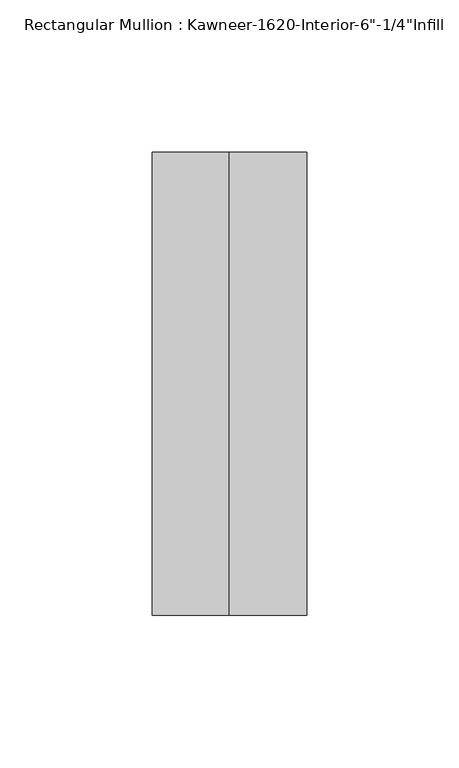
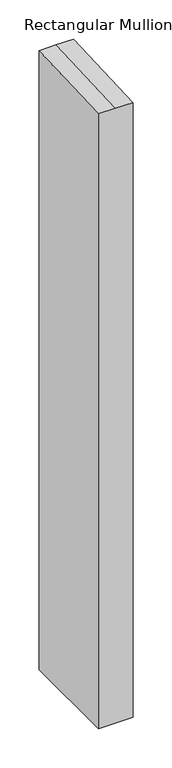
"""IFC4 building model written with IfcOpenShell, lengths in millimetres: member geometry."""

from ifc_helpers import new_model, si_unit, origin, place, context, project, spatial, faceted_brep, source, transform, mapped, element, save


def member_b700d170(model_context):
    return source(origin(), model_context, "Body", "Brep", [
        faceted_brep([(25.4, -123.825, -964.9697425), (-25.4, -123.825, -964.9697425), (-25.4, 28.575, -964.9697425), (25.4, 28.575, -964.9697425), (25.4, 28.575, 1.2476114), (25.4, -123.825, -5.4063163), (-25.4, 28.575, 1.2476114), (0.0, 28.575, 1.2476114), (-25.4, -123.825, -5.4063163), (0.0, -123.825, -5.4063163)], [[[0, 1, 2, 3]], [[4, 5, 0, 3]], [[6, 7, 4, 3, 2]], [[8, 6, 2, 1]], [[5, 9, 8, 1, 0]], [[5, 4, 7, 9]], [[7, 6, 8, 9]]]),
    ])


if __name__ == "__main__":
    model = new_model("IFC4")
    model_context = context("Model", 3, world=origin())
    ifc_project = project(units=[si_unit("LENGTHUNIT", "METRE", prefix="MILLI")], contexts=[model_context])
    site = spatial("IfcSite", under=ifc_project)
    building = spatial("IfcBuilding", under=site)
    placement = place(None, origin())
    member_shape = member_b700d170(model_context)
    element("IfcMember", 1, ObjectType="Rectangular Mullion : Kawneer-1620-Interior-6\"-1/4\"Infill", at=placement, inside=building, context=model_context, shape_type="MappedRepresentation", body=[
        mapped(member_shape, transform((0.0, 0.0, 0.0), x_axis=(1.0, 0.0, 0.0), y_axis=(0.0, 1.0, 0.0), z_axis=(0.0, 0.0, 1.0))),
    ])
    save(model, "model.ifc")
